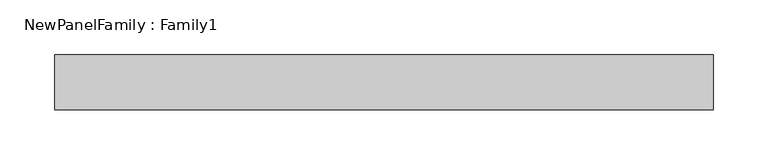
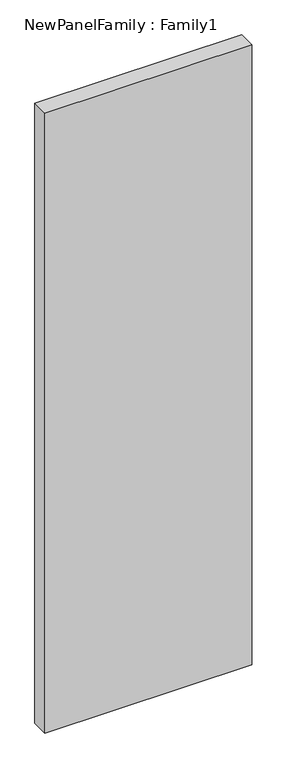
"""IFC4 building model written with IfcOpenShell, lengths in millimetres: proxy geometry, NewPanelFamily : Family1."""

from ifc_helpers import new_model, si_unit, origin, origin_with_axes, place, context, project, spatial, polyline, outline, extrude, source, transform, mapped, element, save


def newpanelfamily_family1_fbbe82b2(model_context):
    return source(origin(), model_context, "Body", "SweptSolid", [
        extrude(outline(polyline([(300.0, 25.0), (300.0, -25.0), (-300.0, -25.0), (-300.0, 25.0), (300.0, 25.0)])), origin_with_axes(), (0.0, 0.0, 1.0), 1900.0),
    ])


if __name__ == "__main__":
    model = new_model("IFC4")
    model_context = context("Model", 3, world=origin())
    ifc_project = project(units=[si_unit("LENGTHUNIT", "METRE", prefix="MILLI")], contexts=[model_context])
    site = spatial("IfcSite", under=ifc_project)
    building = spatial("IfcBuilding", under=site)
    placement = place(None, origin())
    newpanelfamily_family1_shape = newpanelfamily_family1_fbbe82b2(model_context)
    element("IfcBuildingElementProxy", 1, Name="NewPanelFamily : Family1", ObjectType="NewPanelFamily : Family1", at=placement, inside=building, context=model_context, shape_type="MappedRepresentation", body=[
        mapped(newpanelfamily_family1_shape, transform((0.0, 0.0, 0.0), x_axis=(1.0, 0.0, 0.0), y_axis=(0.0, 1.0, 0.0), z_axis=(0.0, 0.0, 1.0))),
    ])
    save(model, "model.ifc")
